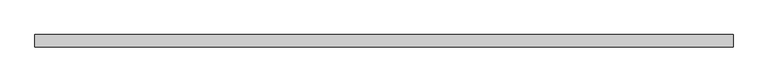
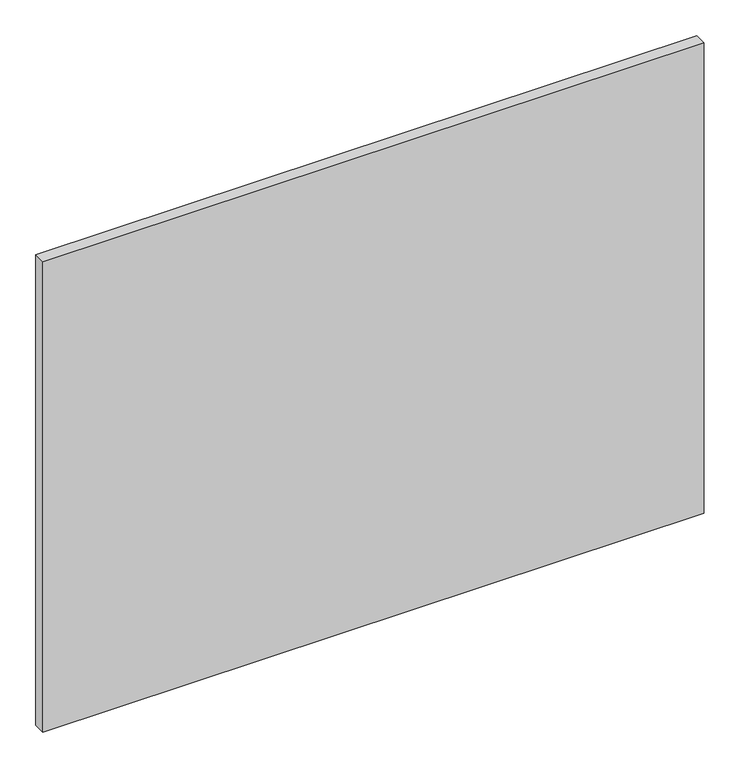
"""IFC4 building model written with IfcOpenShell, lengths in millimetres: proxy geometry."""

import ifcopenshell
import ifcopenshell.guid

model = None  # the IFC model being written
_history = None  # IfcOwnerHistory: only IFC2X3 demands one
_inside = {}  # id of a spatial element -> (the spatial element, [elements in it])
_under = {}  # id of a project, library or spatial element -> (it, [spatial elements below it])
_declared = {}  # id of a project -> (the project, [libraries it declares])
_typed = {}  # id of a type object -> (the type object, [elements of that type])
_made_of = {}  # id of a material, layer set ... -> (it, [elements and type objects made of it])


def new_model(schema):
    """Start an empty IFC model of exactly this schema.

    Asked for "IFC4X3", IfcOpenShell would pick the latest addendum, in which some entities
    have other attributes; the version numbers below select the first issue.
    IFC2X3 requires an IfcOwnerHistory on every rooted entity: one is made here for all.
    """
    global model, _history
    if schema == "IFC4X3":
        model = ifcopenshell.file(schema_version=(4, 3, 0, 0))
    else:
        model = ifcopenshell.file(schema=schema)
    _inside.clear()
    _under.clear()
    _declared.clear()
    _typed.clear()
    _made_of.clear()
    _history = None
    if model.schema == "IFC2X3":
        org = make("IfcOrganization", Name="unknown")
        user = make(
            "IfcPersonAndOrganization",
            ThePerson=make("IfcPerson", FamilyName="unknown"),
            TheOrganization=org,
        )
        app = make(
            "IfcApplication",
            ApplicationDeveloper=org,
            Version="unknown",
            ApplicationFullName="unknown",
            ApplicationIdentifier="unknown",
        )
        _history = make(
            "IfcOwnerHistory",
            OwningUser=user,
            OwningApplication=app,
            ChangeAction="ADDED",
            CreationDate=0,
        )
    return model


def make(cls, **values):
    """One entity of the class cls with the attributes given. An attribute that is None is left unset."""
    return model.create_entity(
        cls, **{name: value for name, value in values.items() if value is not None}
    )


def rooted(cls, **values):
    """An entity with a GlobalId (a new one), such as an element, a storey or a relation."""
    return make(cls, GlobalId=ifcopenshell.guid.new(), OwnerHistory=_history, **values)


def si_unit(unit_type, name, prefix=None):
    """IfcSIUnit, for example si_unit("LENGTHUNIT", "METRE", prefix="MILLI")."""
    return make("IfcSIUnit", UnitType=unit_type, Prefix=prefix, Name=name)


def assignment(units):
    """IfcUnitAssignment: the units of a project."""
    return None if units is None else make("IfcUnitAssignment", Units=units)


def point(xyz):
    """IfcCartesianPoint."""
    return None if xyz is None else make("IfcCartesianPoint", Coordinates=xyz)


def direction(xyz):
    """IfcDirection."""
    return None if xyz is None else make("IfcDirection", DirectionRatios=xyz)


def frame(location, z_axis=None, x_axis=None):
    """IfcAxis2Placement3D, a coordinate frame: its origin and axes. An axis left out is left unset."""
    return make(
        "IfcAxis2Placement3D",
        Location=point(location),
        Axis=direction(z_axis),
        RefDirection=direction(x_axis),
    )


def origin():
    """The frame at (0, 0, 0) with its axes left unset."""
    return frame((0.0, 0.0, 0.0))


def place(relative_to, where):
    """IfcLocalPlacement: puts the frame where relative to a parent placement (None: the world)."""
    return make(
        "IfcLocalPlacement", PlacementRelTo=relative_to, RelativePlacement=where
    )


def context(
    kind, dimensions, precision=None, world=None, true_north=None, identifier=None
):
    """IfcGeometricRepresentationContext, for example the 3D "Model" context."""
    return make(
        "IfcGeometricRepresentationContext",
        ContextIdentifier=identifier,
        ContextType=kind,
        CoordinateSpaceDimension=dimensions,
        Precision=precision,
        WorldCoordinateSystem=world,
        TrueNorth=true_north,
    )


def project(units=None, contexts=None):
    """IfcProject with its units and contexts."""
    return rooted(
        "IfcProject",
        Name="project",
        RepresentationContexts=contexts,
        UnitsInContext=assignment(units),
    )


def spatial(cls, under=None, at=None, **own):
    """A site, building, storey or space (cls), placed at a placement, below another one or the project."""
    s = rooted(cls, ObjectPlacement=at, **own)
    if under is not None:
        _under.setdefault(under.id(), (under, []))[1].append(s)
    return s


def polyline(points):
    """IfcPolyline through the points."""
    return make("IfcPolyline", Points=[point(p) for p in points])


def outline(outer, holes=None, kind="AREA"):
    """IfcArbitraryClosedProfileDef: a profile drawn as a closed curve; with holes, ...WithVoids."""
    if holes is None:
        return make("IfcArbitraryClosedProfileDef", ProfileType=kind, OuterCurve=outer)
    return make(
        "IfcArbitraryProfileDefWithVoids",
        ProfileType=kind,
        OuterCurve=outer,
        InnerCurves=holes,
    )


def extrude(swept, where, along, depth):
    """IfcExtrudedAreaSolid: the profile swept, set in the frame where, extruded along a direction by depth."""
    return make(
        "IfcExtrudedAreaSolid",
        SweptArea=swept,
        Position=where,
        ExtrudedDirection=direction(along),
        Depth=depth,
    )


def shape(context_of_items, identifier, shape_type, items):
    """IfcShapeRepresentation: the items that make up one representation, for example the "Body"."""
    return make(
        "IfcShapeRepresentation",
        ContextOfItems=context_of_items,
        RepresentationIdentifier=identifier,
        RepresentationType=shape_type,
        Items=items,
    )


def source(mapping_origin, context_of_items, identifier, shape_type, items):
    """IfcRepresentationMap: a shape defined once, which mapped items show again and again."""
    return make(
        "IfcRepresentationMap",
        MappingOrigin=mapping_origin,
        MappedRepresentation=shape(context_of_items, identifier, shape_type, items),
    )


def transform(
    local_origin,
    x_axis=None,
    y_axis=None,
    z_axis=None,
    scale=None,
    scale2=None,
    scale3=None,
    uniform=True,
):
    """IfcCartesianTransformationOperator3D, or its non-uniform kind. x_axis, y_axis, z_axis: its Axis1, 2, 3."""
    if uniform:
        return make(
            "IfcCartesianTransformationOperator3D",
            Axis1=direction(x_axis),
            Axis2=direction(y_axis),
            LocalOrigin=point(local_origin),
            Scale=scale,
            Axis3=direction(z_axis),
        )
    return make(
        "IfcCartesianTransformationOperator3DnonUniform",
        Axis1=direction(x_axis),
        Axis2=direction(y_axis),
        LocalOrigin=point(local_origin),
        Scale=scale,
        Axis3=direction(z_axis),
        Scale2=scale2,
        Scale3=scale3,
    )


def mapped(mapping_source, mapping_target):
    """IfcMappedItem: shows the shape of a source again, moved by a transform."""
    return make(
        "IfcMappedItem", MappingSource=mapping_source, MappingTarget=mapping_target
    )


def made_of(thing, what):
    """Note that an element or type object is made of a material, layer set ...; save() writes the relation."""
    if what is not None:
        _made_of.setdefault(what.id(), (what, []))[1].append(thing)
    return thing


def element(
    cls,
    number,
    at=None,
    inside=None,
    cuts=None,
    type_object=None,
    material=None,
    context=None,
    identifier="Body",
    shape_type=None,
    held_by="IfcProductDefinitionShape",
    body=None,
    shapes=None,
    **own,
):
    """One element of the class cls, such as IfcWall. Its Tag is "e" and its number.

    at: its placement. inside: the storey or other place that contains it. cuts: it is an
    opening in that element (IfcRelVoidsElement). A single representation is given by context,
    identifier, shape_type and body (its items); several are given by shapes. held_by: the class
    of the entity that holds the representations. save() writes the other relations.
    """
    e = rooted(cls, Tag="e%d" % number, ObjectPlacement=at, **own)
    if body is not None:
        shapes = [shape(context, identifier, shape_type, body)]
    if shapes is not None:
        e.Representation = make(held_by, Representations=shapes)
    if inside is not None:
        _inside.setdefault(inside.id(), (inside, []))[1].append(e)
    if cuts is not None:
        rooted(
            "IfcRelVoidsElement", RelatingBuildingElement=cuts, RelatedOpeningElement=e
        )
    if type_object is not None:
        _typed.setdefault(type_object.id(), (type_object, []))[1].append(e)
    return made_of(e, material)


def aggregate(whole, parts):
    """IfcRelAggregates: a whole, such as a stair, and the parts it consists of."""
    return rooted("IfcRelAggregates", RelatingObject=whole, RelatedObjects=parts)


def save(model, path):
    """Write the relations noted so far, then the file.

    IfcRelAggregates (storeys below a building ...), IfcRelContainedInSpatialStructure (elements
    in a storey), IfcRelDefinesByType, IfcRelAssociatesMaterial and IfcRelDeclares: one each for
    every whole, place, type object, material and project.
    """
    for whole, parts in _under.values():
        aggregate(whole, parts)
    for where, things in _inside.values():
        rooted(
            "IfcRelContainedInSpatialStructure",
            RelatedElements=things,
            RelatingStructure=where,
        )
    for kind, things in _typed.values():
        rooted("IfcRelDefinesByType", RelatedObjects=things, RelatingType=kind)
    for what, things in _made_of.values():
        rooted("IfcRelAssociatesMaterial", RelatedObjects=things, RelatingMaterial=what)
    for by, libraries in _declared.values():
        rooted("IfcRelDeclares", RelatingContext=by, RelatedDefinitions=libraries)
    model.write(path)


def specialty_equipment_aaa98eeb(model_context):
    return source(origin(), model_context, "Body", "SweptSolid", [
        extrude(outline(polyline([(531.5249999, 0.0), (-531.5249999, 0.0), (-531.5249999, 19.05), (531.5249999, 19.05), (531.5249999, 0.0)])), frame((0.0, 0.0, 3.175), z_axis=(0.0, 0.0, 1.0), x_axis=(1.0, 0.0, 0.0)), (0.0, 0.0, 1.0), 799.2618001),
    ])


if __name__ == "__main__":
    model = new_model("IFC4")
    model_context = context("Model", 3, world=origin())
    ifc_project = project(units=[si_unit("LENGTHUNIT", "METRE", prefix="MILLI")], contexts=[model_context])
    site = spatial("IfcSite", under=ifc_project)
    building = spatial("IfcBuilding", under=site)
    placement = place(None, origin())
    specialty_equipment_shape = specialty_equipment_aaa98eeb(model_context)
    element("IfcBuildingElementProxy", 1, Name="Specialty Equipment", at=placement, inside=building, context=model_context, shape_type="MappedRepresentation", body=[
        mapped(specialty_equipment_shape, transform((0.0, 0.0, 0.0), x_axis=(1.0, 0.0, 0.0), y_axis=(0.0, 1.0, 0.0), z_axis=(0.0, 0.0, 1.0))),
    ])
    save(model, "model.ifc")
